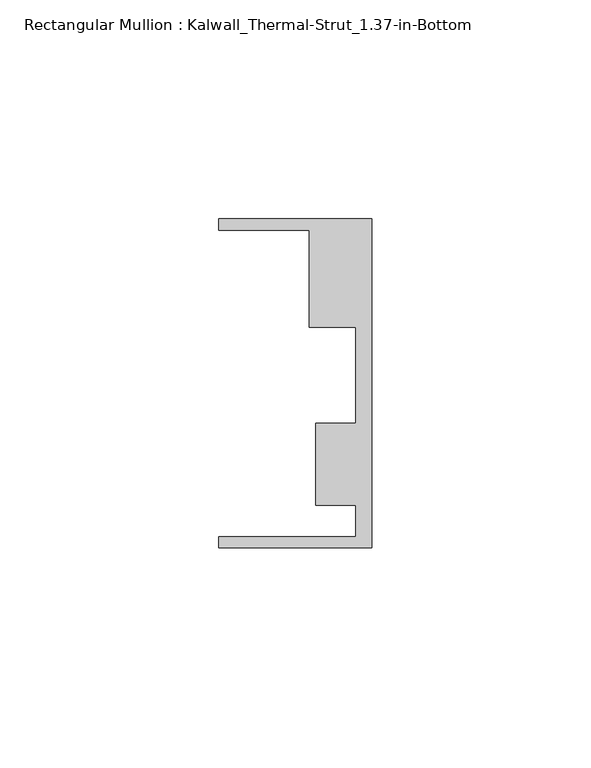
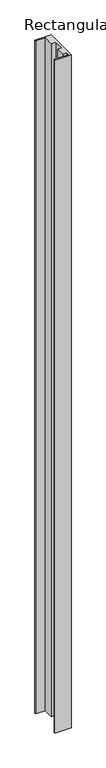
"""IFC4 building model written with IfcOpenShell, lengths in millimetres: member geometry, Rectangular Mullion : Kalwall_Thermal-Strut_1.37-in-Bottom."""

from ifc_helpers import new_model, si_unit, frame, origin, place, context, project, spatial, polyline, outline, extrude, source, transform, mapped, element, save


def rectangular_mullion_kalwall_thermal_strut_1_37_in_bottom_399192f2(model_context):
    return source(origin(), model_context, "Body", "SweptSolid", [
        extrude(outline(polyline([(0.0, -37.5776386), (-34.925, -37.5776386), (-34.925, -35.0376386), (-3.7084, -35.0376386), (-3.7084, -27.8888568), (-12.8272539, -27.8888568), (-12.8272539, -9.1879886), (-3.7084, -9.1879886), (-3.7084, 12.7373614), (-14.2875, 12.7373614), (-14.2875, 34.9623614), (-34.925, 34.9623614), (-34.925, 37.5023614), (0.0, 37.5023614), (0.0, -37.5776386)])), frame((0.0, 0.0, -1539.9742188), z_axis=(0.0, 0.0, 1.0), x_axis=(1.0, 0.0, 0.0)), (0.0, 0.0, 1.0), 1539.9742188),
    ])


if __name__ == "__main__":
    model = new_model("IFC4")
    model_context = context("Model", 3, world=origin())
    ifc_project = project(units=[si_unit("LENGTHUNIT", "METRE", prefix="MILLI")], contexts=[model_context])
    site = spatial("IfcSite", under=ifc_project)
    building = spatial("IfcBuilding", under=site)
    placement = place(None, origin())
    rectangular_mullion_kalwall_thermal_strut_1_37_in_bottom_shape = rectangular_mullion_kalwall_thermal_strut_1_37_in_bottom_399192f2(model_context)
    element("IfcMember", 1, ObjectType="Rectangular Mullion : Kalwall_Thermal-Strut_1.37-in-Bottom", at=placement, inside=building, context=model_context, shape_type="MappedRepresentation", body=[
        mapped(rectangular_mullion_kalwall_thermal_strut_1_37_in_bottom_shape, transform((0.0, 0.0, 0.0), x_axis=(1.0, 0.0, 0.0), y_axis=(0.0, 1.0, 0.0), z_axis=(0.0, 0.0, 1.0))),
    ])
    save(model, "model.ifc")
